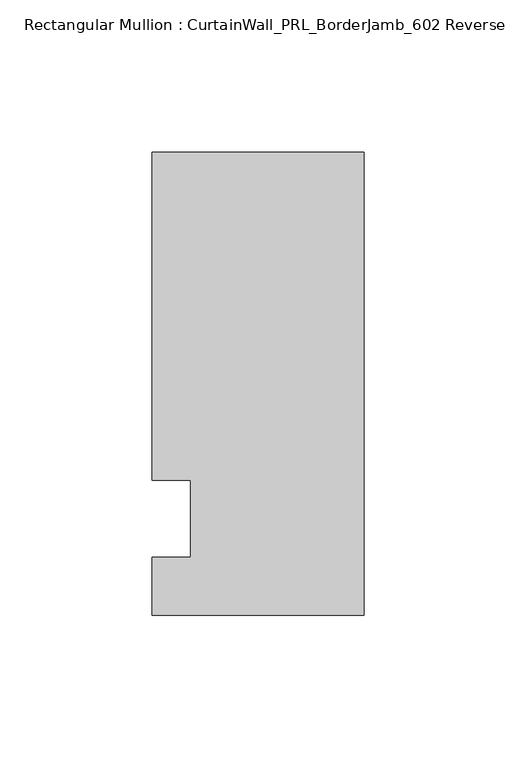
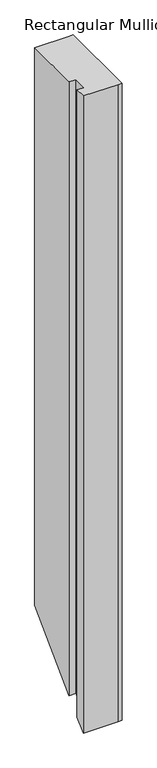
"""IFC4 building model written with IfcOpenShell, lengths in millimetres: member geometry, Rectangular Mullion : CurtainWall_PRL_BorderJamb_602 Reverse."""

import ifcopenshell
import ifcopenshell.guid

model = None  # the IFC model being written
_history = None  # IfcOwnerHistory: only IFC2X3 demands one
_inside = {}  # id of a spatial element -> (the spatial element, [elements in it])
_under = {}  # id of a project, library or spatial element -> (it, [spatial elements below it])
_declared = {}  # id of a project -> (the project, [libraries it declares])
_typed = {}  # id of a type object -> (the type object, [elements of that type])
_made_of = {}  # id of a material, layer set ... -> (it, [elements and type objects made of it])


def new_model(schema):
    """Start an empty IFC model of exactly this schema.

    Asked for "IFC4X3", IfcOpenShell would pick the latest addendum, in which some entities
    have other attributes; the version numbers below select the first issue.
    IFC2X3 requires an IfcOwnerHistory on every rooted entity: one is made here for all.
    """
    global model, _history
    if schema == "IFC4X3":
        model = ifcopenshell.file(schema_version=(4, 3, 0, 0))
    else:
        model = ifcopenshell.file(schema=schema)
    _inside.clear()
    _under.clear()
    _declared.clear()
    _typed.clear()
    _made_of.clear()
    _history = None
    if model.schema == "IFC2X3":
        org = make("IfcOrganization", Name="unknown")
        user = make(
            "IfcPersonAndOrganization",
            ThePerson=make("IfcPerson", FamilyName="unknown"),
            TheOrganization=org,
        )
        app = make(
            "IfcApplication",
            ApplicationDeveloper=org,
            Version="unknown",
            ApplicationFullName="unknown",
            ApplicationIdentifier="unknown",
        )
        _history = make(
            "IfcOwnerHistory",
            OwningUser=user,
            OwningApplication=app,
            ChangeAction="ADDED",
            CreationDate=0,
        )
    return model


def make(cls, **values):
    """One entity of the class cls with the attributes given. An attribute that is None is left unset."""
    return model.create_entity(
        cls, **{name: value for name, value in values.items() if value is not None}
    )


def rooted(cls, **values):
    """An entity with a GlobalId (a new one), such as an element, a storey or a relation."""
    return make(cls, GlobalId=ifcopenshell.guid.new(), OwnerHistory=_history, **values)


def si_unit(unit_type, name, prefix=None):
    """IfcSIUnit, for example si_unit("LENGTHUNIT", "METRE", prefix="MILLI")."""
    return make("IfcSIUnit", UnitType=unit_type, Prefix=prefix, Name=name)


def assignment(units):
    """IfcUnitAssignment: the units of a project."""
    return None if units is None else make("IfcUnitAssignment", Units=units)


def point(xyz):
    """IfcCartesianPoint."""
    return None if xyz is None else make("IfcCartesianPoint", Coordinates=xyz)


def direction(xyz):
    """IfcDirection."""
    return None if xyz is None else make("IfcDirection", DirectionRatios=xyz)


def frame(location, z_axis=None, x_axis=None):
    """IfcAxis2Placement3D, a coordinate frame: its origin and axes. An axis left out is left unset."""
    return make(
        "IfcAxis2Placement3D",
        Location=point(location),
        Axis=direction(z_axis),
        RefDirection=direction(x_axis),
    )


def origin():
    """The frame at (0, 0, 0) with its axes left unset."""
    return frame((0.0, 0.0, 0.0))


def place(relative_to, where):
    """IfcLocalPlacement: puts the frame where relative to a parent placement (None: the world)."""
    return make(
        "IfcLocalPlacement", PlacementRelTo=relative_to, RelativePlacement=where
    )


def context(
    kind, dimensions, precision=None, world=None, true_north=None, identifier=None
):
    """IfcGeometricRepresentationContext, for example the 3D "Model" context."""
    return make(
        "IfcGeometricRepresentationContext",
        ContextIdentifier=identifier,
        ContextType=kind,
        CoordinateSpaceDimension=dimensions,
        Precision=precision,
        WorldCoordinateSystem=world,
        TrueNorth=true_north,
    )


def project(units=None, contexts=None):
    """IfcProject with its units and contexts."""
    return rooted(
        "IfcProject",
        Name="project",
        RepresentationContexts=contexts,
        UnitsInContext=assignment(units),
    )


def spatial(cls, under=None, at=None, **own):
    """A site, building, storey or space (cls), placed at a placement, below another one or the project."""
    s = rooted(cls, ObjectPlacement=at, **own)
    if under is not None:
        _under.setdefault(under.id(), (under, []))[1].append(s)
    return s


def faces_of(points, faces, orient=None, outer=None):
    """IfcFace entities. A face is a list of loops; a loop is a list of indices into points, from 0.

    orient and outer hold one flag for each loop. By default every Orientation is true, the
    first loop of a face is its IfcFaceOuterBound and the others are IfcFaceBound.
    """
    made = []
    for i, loops in enumerate(faces):
        bounds = []
        for j, loop in enumerate(loops):
            is_outer = j == 0 if outer is None else outer[i][j]
            bounds.append(
                make(
                    "IfcFaceOuterBound" if is_outer else "IfcFaceBound",
                    Bound=make("IfcPolyLoop", Polygon=[points[k] for k in loop]),
                    Orientation=True if orient is None else orient[i][j],
                )
            )
        made.append(make("IfcFace", Bounds=bounds))
    return made


def faceted_brep(points, faces, orient=None, outer=None, voids=None):
    """IfcFacetedBrep: a solid bounded by flat faces; with voids (closed shells), ...WithVoids."""
    shared = [point(p) for p in points]
    hull = make("IfcClosedShell", CfsFaces=faces_of(shared, faces, orient, outer))
    if voids is None:
        return make("IfcFacetedBrep", Outer=hull)
    return make(
        "IfcFacetedBrepWithVoids",
        Outer=hull,
        Voids=[
            make(cls, CfsFaces=faces_of(shared, fs, o, b)) for cls, fs, o, b in voids
        ],
    )


def shape(context_of_items, identifier, shape_type, items):
    """IfcShapeRepresentation: the items that make up one representation, for example the "Body"."""
    return make(
        "IfcShapeRepresentation",
        ContextOfItems=context_of_items,
        RepresentationIdentifier=identifier,
        RepresentationType=shape_type,
        Items=items,
    )


def source(mapping_origin, context_of_items, identifier, shape_type, items):
    """IfcRepresentationMap: a shape defined once, which mapped items show again and again."""
    return make(
        "IfcRepresentationMap",
        MappingOrigin=mapping_origin,
        MappedRepresentation=shape(context_of_items, identifier, shape_type, items),
    )


def transform(
    local_origin,
    x_axis=None,
    y_axis=None,
    z_axis=None,
    scale=None,
    scale2=None,
    scale3=None,
    uniform=True,
):
    """IfcCartesianTransformationOperator3D, or its non-uniform kind. x_axis, y_axis, z_axis: its Axis1, 2, 3."""
    if uniform:
        return make(
            "IfcCartesianTransformationOperator3D",
            Axis1=direction(x_axis),
            Axis2=direction(y_axis),
            LocalOrigin=point(local_origin),
            Scale=scale,
            Axis3=direction(z_axis),
        )
    return make(
        "IfcCartesianTransformationOperator3DnonUniform",
        Axis1=direction(x_axis),
        Axis2=direction(y_axis),
        LocalOrigin=point(local_origin),
        Scale=scale,
        Axis3=direction(z_axis),
        Scale2=scale2,
        Scale3=scale3,
    )


def mapped(mapping_source, mapping_target):
    """IfcMappedItem: shows the shape of a source again, moved by a transform."""
    return make(
        "IfcMappedItem", MappingSource=mapping_source, MappingTarget=mapping_target
    )


def made_of(thing, what):
    """Note that an element or type object is made of a material, layer set ...; save() writes the relation."""
    if what is not None:
        _made_of.setdefault(what.id(), (what, []))[1].append(thing)
    return thing


def element(
    cls,
    number,
    at=None,
    inside=None,
    cuts=None,
    type_object=None,
    material=None,
    context=None,
    identifier="Body",
    shape_type=None,
    held_by="IfcProductDefinitionShape",
    body=None,
    shapes=None,
    **own,
):
    """One element of the class cls, such as IfcWall. Its Tag is "e" and its number.

    at: its placement. inside: the storey or other place that contains it. cuts: it is an
    opening in that element (IfcRelVoidsElement). A single representation is given by context,
    identifier, shape_type and body (its items); several are given by shapes. held_by: the class
    of the entity that holds the representations. save() writes the other relations.
    """
    e = rooted(cls, Tag="e%d" % number, ObjectPlacement=at, **own)
    if body is not None:
        shapes = [shape(context, identifier, shape_type, body)]
    if shapes is not None:
        e.Representation = make(held_by, Representations=shapes)
    if inside is not None:
        _inside.setdefault(inside.id(), (inside, []))[1].append(e)
    if cuts is not None:
        rooted(
            "IfcRelVoidsElement", RelatingBuildingElement=cuts, RelatedOpeningElement=e
        )
    if type_object is not None:
        _typed.setdefault(type_object.id(), (type_object, []))[1].append(e)
    return made_of(e, material)


def aggregate(whole, parts):
    """IfcRelAggregates: a whole, such as a stair, and the parts it consists of."""
    return rooted("IfcRelAggregates", RelatingObject=whole, RelatedObjects=parts)


def save(model, path):
    """Write the relations noted so far, then the file.

    IfcRelAggregates (storeys below a building ...), IfcRelContainedInSpatialStructure (elements
    in a storey), IfcRelDefinesByType, IfcRelAssociatesMaterial and IfcRelDeclares: one each for
    every whole, place, type object, material and project.
    """
    for whole, parts in _under.values():
        aggregate(whole, parts)
    for where, things in _inside.values():
        rooted(
            "IfcRelContainedInSpatialStructure",
            RelatedElements=things,
            RelatingStructure=where,
        )
    for kind, things in _typed.values():
        rooted("IfcRelDefinesByType", RelatedObjects=things, RelatingType=kind)
    for what, things in _made_of.values():
        rooted("IfcRelAssociatesMaterial", RelatedObjects=things, RelatingMaterial=what)
    for by, libraries in _declared.values():
        rooted("IfcRelDeclares", RelatingContext=by, RelatedDefinitions=libraries)
    model.write(path)


def rectangular_mullion_curtainwall_prl_borderjamb_602_reverse_f2f9aade(model_context):
    return source(origin(), model_context, "Body", "Brep", [
        faceted_brep([(-57.15, 12.7, 0.0), (-57.15, -12.7, 0.0), (-69.85, -12.7, 0.0), (-69.85, -31.75, 0.0), (-7.3958824, -31.75, 0.0), (0.0, -31.75, 0.0), (0.0, 120.65, 0.0), (-6.35, 120.65, 0.0), (-69.85, 120.65, 0.0), (-69.85, 12.7, 0.0), (-57.15, 12.7, -1174.75), (-57.15, -12.7, -1200.15), (-69.85, -12.7, -1200.15), (-69.85, -31.75, -1219.2), (-7.3958824, -31.75, -1219.2), (0.0, -31.75, -1219.2), (0.0, 120.65, -1066.8), (-6.35, 120.65, -1066.8), (-69.85, 120.65, -1066.8), (-69.85, 12.7, -1174.75)], [[[0, 1, 2, 3, 4, 5, 6, 7, 8, 9]], [[1, 0, 10, 11]], [[2, 1, 11, 12]], [[3, 2, 12, 13]], [[4, 3, 13, 14]], [[5, 4, 14, 15]], [[6, 5, 15, 16]], [[7, 6, 16, 17]], [[8, 7, 17, 18]], [[9, 8, 18, 19]], [[0, 9, 19, 10]], [[10, 19, 18, 17, 16, 15, 14, 13, 12, 11]]]),
    ])


if __name__ == "__main__":
    model = new_model("IFC4")
    model_context = context("Model", 3, world=origin())
    ifc_project = project(units=[si_unit("LENGTHUNIT", "METRE", prefix="MILLI")], contexts=[model_context])
    site = spatial("IfcSite", under=ifc_project)
    building = spatial("IfcBuilding", under=site)
    placement = place(None, origin())
    rectangular_mullion_curtainwall_prl_borderjamb_602_reverse_shape = rectangular_mullion_curtainwall_prl_borderjamb_602_reverse_f2f9aade(model_context)
    element("IfcMember", 1, ObjectType="Rectangular Mullion : CurtainWall_PRL_BorderJamb_602 Reverse", at=placement, inside=building, context=model_context, shape_type="MappedRepresentation", body=[
        mapped(rectangular_mullion_curtainwall_prl_borderjamb_602_reverse_shape, transform((0.0, 0.0, 0.0), x_axis=(1.0, 0.0, 0.0), y_axis=(0.0, 1.0, 0.0), z_axis=(0.0, 0.0, 1.0))),
    ])
    save(model, "model.ifc")
